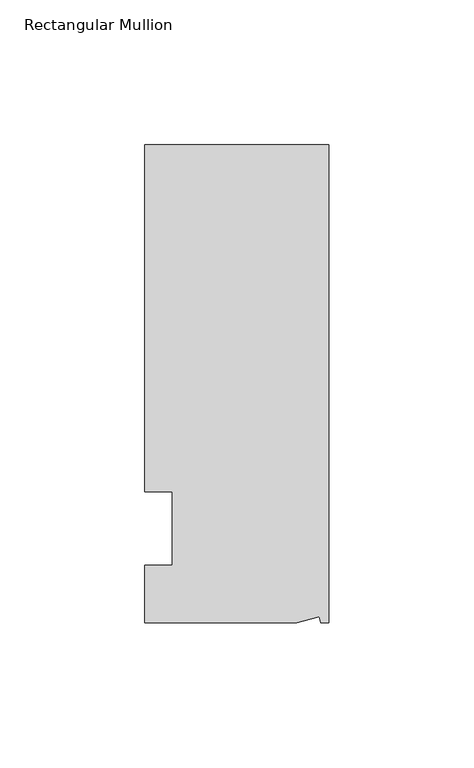
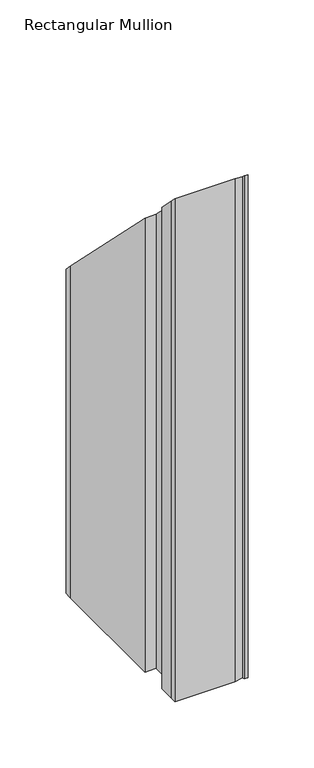
"""IFC4 building model written with IfcOpenShell, lengths in millimetres: member geometry, Rectangular Mullion."""

from ifc_helpers import new_model, si_unit, origin, place, context, project, spatial, faceted_brep, source, transform, mapped, element, save


def rectangular_mullion_a4916c7d(model_context):
    return source(origin(), model_context, "Body", "Brep", [
        faceted_brep([(0.0, 132.5561012, -431.8), (0.0, -32.5438988, -431.8), (-2.7616541, -32.5438988, -431.8), (-3.3341886, -30.4622958, -431.8), (-11.121847, -32.5438988, -431.8), (-63.5, -32.5438988, -431.8), (-63.5, -26.1938988, -431.8), (-63.5, -12.5945801, -431.8), (-53.975, -12.5945801, -431.8), (-53.975, 12.8054199, -431.8), (-63.5, 12.8054199, -431.8), (-63.5, 126.2061012, -431.8), (-63.5, 132.5561012, -431.8), (-63.5, 132.5561012, -132.5561012), (0.0, 132.5561012, -132.5561012), (-63.5, 126.2061012, -126.2061012), (-63.5, 12.8054199, -12.8054199), (-53.975, 12.8054199, -12.8054199), (-53.975, -12.5945801, 12.5945801), (-63.5, -12.5945801, 12.5945801), (-63.5, -26.1938988, 26.1938988), (-63.5, -32.5438988, 32.5438988), (-11.121847, -32.5438988, 32.5438988), (-3.3341886, -30.4622958, 30.4622958), (-2.7616541, -32.5438988, 32.5438988), (0.0, -32.5438988, 32.5438988)], [[[0, 1, 2, 3, 4, 5, 6, 7, 8, 9, 10, 11, 12]], [[13, 14, 0, 12]], [[15, 13, 12, 11]], [[16, 15, 11, 10]], [[17, 16, 10, 9]], [[18, 17, 9, 8]], [[19, 18, 8, 7]], [[20, 19, 7, 6]], [[21, 20, 6, 5]], [[22, 21, 5, 4]], [[23, 22, 4, 3]], [[24, 23, 3, 2]], [[25, 24, 2, 1]], [[14, 25, 1, 0]], [[14, 13, 15, 16, 17, 18, 19, 20, 21, 22, 23, 24, 25]]]),
    ])


if __name__ == "__main__":
    model = new_model("IFC4")
    model_context = context("Model", 3, world=origin())
    ifc_project = project(units=[si_unit("LENGTHUNIT", "METRE", prefix="MILLI")], contexts=[model_context])
    site = spatial("IfcSite", under=ifc_project)
    building = spatial("IfcBuilding", under=site)
    placement = place(None, origin())
    rectangular_mullion_shape = rectangular_mullion_a4916c7d(model_context)
    element("IfcMember", 1, ObjectType="Rectangular Mullion", at=placement, inside=building, context=model_context, shape_type="MappedRepresentation", body=[
        mapped(rectangular_mullion_shape, transform((0.0, 0.0, 0.0), x_axis=(1.0, 0.0, 0.0), y_axis=(0.0, 1.0, 0.0), z_axis=(0.0, 0.0, 1.0))),
    ])
    save(model, "model.ifc")
